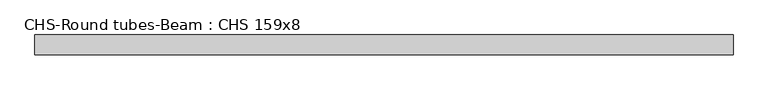
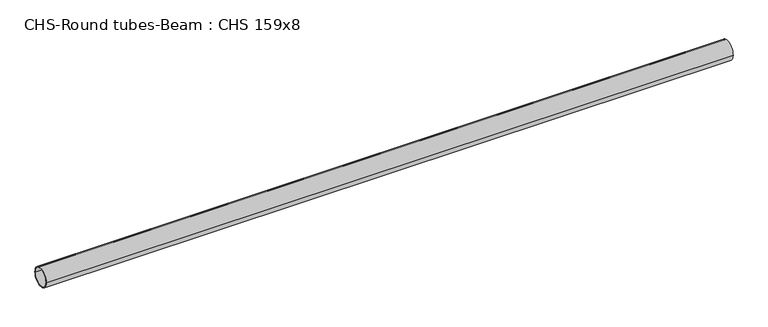
"""IFC4 building model written with IfcOpenShell, lengths in millimetres: beam geometry, CHS-Round tubes-Beam : CHS 159x8."""

from ifc_helpers import new_model, si_unit, point, frame, origin, origin_2d, place, context, project, spatial, circle_curve, trimmed, segment, composite_curve, outline, extrude, source, transform, mapped, element, save


def chs_round_tubes_beam_chs_159x8_bf04da3e(model_context):
    return source(origin(), model_context, "Body", "SweptSolid", [
        extrude(outline(composite_curve([segment(trimmed(circle_curve(origin_2d(), 79.5), [point((79.5, 0.0))], [point((-79.5, 0.0))], False, "CARTESIAN"), True, "CONTINUOUS"), segment(trimmed(circle_curve(origin_2d(), 79.5), [point((-79.5, 0.0))], [point((79.5, 0.0))], False, "CARTESIAN"), True, "CONTINUOUS")], self_intersect=False), holes=[composite_curve([segment(trimmed(circle_curve(origin_2d(), 71.5), [point((71.5, 0.0))], [point((-71.5, 0.0))], True, "CARTESIAN"), True, "CONTINUOUS"), segment(trimmed(circle_curve(origin_2d(), 71.5), [point((-71.5, 0.0))], [point((71.5, 0.0))], True, "CARTESIAN"), True, "CONTINUOUS")], self_intersect=False)]), frame((-2802.6577852, 0.0, 0.0), z_axis=(1.0, 0.0, 0.0), x_axis=(0.0, 1.0, 0.0)), (0.0, 0.0, 1.0), 5609.3971126),
    ])


if __name__ == "__main__":
    model = new_model("IFC4")
    model_context = context("Model", 3, world=origin())
    ifc_project = project(units=[si_unit("LENGTHUNIT", "METRE", prefix="MILLI")], contexts=[model_context])
    site = spatial("IfcSite", under=ifc_project)
    building = spatial("IfcBuilding", under=site)
    placement = place(None, origin())
    chs_round_tubes_beam_chs_159x8_shape = chs_round_tubes_beam_chs_159x8_bf04da3e(model_context)
    element("IfcBeam", 1, ObjectType="CHS-Round tubes-Beam : CHS 159x8", at=placement, inside=building, context=model_context, shape_type="MappedRepresentation", body=[
        mapped(chs_round_tubes_beam_chs_159x8_shape, transform((0.0, 0.0, 0.0), x_axis=(1.0, 0.0, 0.0), y_axis=(0.0, 1.0, 0.0), z_axis=(0.0, 0.0, 1.0))),
    ])
    save(model, "model.ifc")
